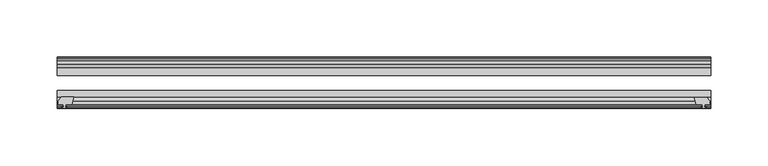
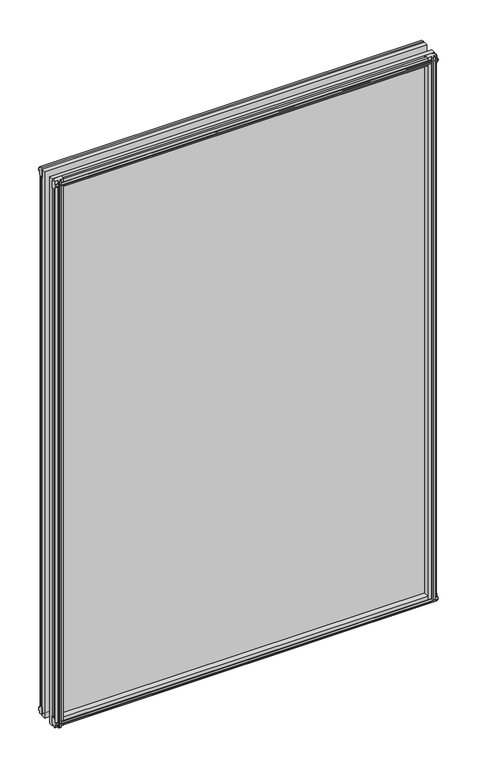
"""IFC4 building model written with IfcOpenShell, lengths in millimetres: plate geometry."""

from ifc_helpers import new_model, si_unit, frame, origin, place, context, project, spatial, polyline, outline, extrude, source, transform, mapped, element, save


def plate_1ef7eb2e(model_context):
    return source(origin(), model_context, "Body", "SweptSolid", [
        extrude(outline(polyline([(-271.3322818, -83.1453125), (-273.0499999, -89.4953125), (-278.2569999, -89.4953125), (-278.6379999, -91.8755095), (-277.2224708, -91.4155762), (-277.2224708, -92.2167904), (-279.3999999, -92.9243125), (-281.5775289, -92.2167904), (-281.5775289, -91.4155762), (-280.1619999, -91.8755095), (-280.5429999, -89.4953125), (-284.9879999, -89.4953125), (-284.9879999, -86.5489125), (-282.1536577, -83.1453125), (-271.3322818, -83.1453125)])), frame((0.0, 0.0, -12.4587), z_axis=(0.0, 0.0, 1.0), x_axis=(1.0, 0.0, 0.0)), (0.0, 0.0, 1.0), 863.1176588),
        extrude(outline(polyline([(271.3538925, -83.2252021), (282.1752684, -83.2252021), (285.0096106, -86.6288021), (285.0096106, -89.5752021), (280.5646106, -89.5752021), (280.1836106, -91.9553991), (281.5991396, -91.4954658), (281.5991396, -92.29668), (279.4216106, -93.0042021), (277.2440815, -92.29668), (277.2440815, -91.4954658), (278.6596106, -91.9553991), (278.2786106, -89.5752021), (273.0716106, -89.5752021), (271.3538925, -83.2252021)])), frame((0.0, 0.0, -9.0482291), z_axis=(0.0, 0.0, 1.0), x_axis=(1.0, 0.0, 0.0)), (0.0, 0.0, 1.0), 859.7071879),
        extrude(outline(polyline([(-280.6826999, -49.0151155), (-282.0982289, -49.4750488), (-282.0982289, -48.6738346), (-279.9206999, -47.9663125), (-277.7431708, -48.6738346), (-277.7431708, -49.4750488), (-279.1586999, -49.0151155), (-278.7776999, -51.3953125), (-273.5706999, -51.3953125), (-271.8529818, -57.7453125), (-282.6743577, -57.7453125), (-285.5086999, -54.3417125), (-285.5086999, -51.3953125), (-281.0636999, -51.3953125), (-280.6826999, -49.0151155)])), frame((0.0, 0.0, -12.4587), z_axis=(0.0, 0.0, 1.0), x_axis=(1.0, 0.0, 0.0)), (0.0, 0.0, 1.0), 856.7676588),
        extrude(outline(polyline([(271.8529818, -57.7453125), (273.5706999, -51.3953125), (278.7776999, -51.3953125), (279.1586999, -49.0151155), (277.7431708, -49.4750488), (277.7431708, -48.6738346), (279.9206999, -47.9663125), (282.0982289, -48.6738346), (282.0982289, -49.4750488), (280.6826999, -49.0151155), (281.0636999, -51.3953125), (285.5086999, -51.3953125), (285.5086999, -54.3417125), (282.6743577, -57.7453125), (271.8529818, -57.7453125)])), frame((0.0, 0.0, -12.4587), z_axis=(0.0, 0.0, 1.0), x_axis=(1.0, 0.0, 0.0)), (0.0, 0.0, 1.0), 856.7676588),
        extrude(outline(polyline([(-48.6738346, -4.6931709), (-47.9663125, -6.8707), (-48.6738346, -9.0482291), (-49.4750488, -9.0482291), (-49.0151155, -7.6327), (-51.3953125, -8.0137), (-51.3953125, -12.4587), (-54.3417125, -12.4587), (-57.7453125, -9.6243578), (-57.7453125, 1.1970181), (-51.3953125, -0.5207), (-51.3953125, -5.7277), (-49.0151155, -6.1087), (-49.4750488, -4.6931709), (-48.6738346, -4.6931709)])), frame((-285.7499999, 0.0, 0.0), z_axis=(1.0, 0.0, 0.0), x_axis=(0.0, 1.0, 0.0)), (0.0, 0.0, 1.0), 571.4999997),
        extrude(outline(polyline([(-83.1453125, 1.7177181), (-83.1453125, -9.1036578), (-86.5489125, -11.938), (-89.4953125, -11.938), (-89.4953125, -7.493), (-91.8755095, -7.112), (-91.4155762, -8.5275291), (-92.2167904, -8.5275291), (-92.9243125, -6.35), (-92.2167904, -4.1724709), (-91.4155762, -4.1724709), (-91.8755095, -5.588), (-89.4953125, -5.207), (-89.4953125, 0.0), (-83.1453125, 1.7177181)])), frame((-285.7499999, 0.0, 0.0), z_axis=(1.0, 0.0, 0.0), x_axis=(0.0, 1.0, 0.0)), (0.0, 0.0, 1.0), 571.4999997),
        extrude(outline(polyline([(-49.0151155, 845.8329588), (-49.4750488, 847.2484879), (-48.6738346, 847.2484879), (-47.9663125, 845.0709588), (-48.6738346, 842.8934298), (-49.4750488, 842.8934298), (-49.0151155, 844.3089588), (-51.3953125, 843.9279588), (-51.3953125, 838.7209588), (-57.7453125, 837.0032408), (-57.7453125, 847.8246167), (-54.3417125, 850.6589588), (-51.3953125, 850.6589588), (-51.3953125, 846.2139588), (-49.0151155, 845.8329588)])), frame((-285.7499999, 0.0, 0.0), z_axis=(1.0, 0.0, 0.0), x_axis=(0.0, 1.0, 0.0)), (0.0, 0.0, 1.0), 571.4999997),
        extrude(outline(polyline([(-89.4953125, 850.1382588), (-86.5489125, 850.1382588), (-83.1453125, 847.3039167), (-83.1453125, 836.4825408), (-89.4953125, 838.2002588), (-89.4953125, 843.4072588), (-91.8755095, 843.7882588), (-91.4155762, 842.3727298), (-92.2167904, 842.3727298), (-92.9243125, 844.5502588), (-92.2167904, 846.7277879), (-91.4155762, 846.7277879), (-91.8755095, 845.3122588), (-89.4953125, 845.6932588), (-89.4953125, 850.1382588)])), frame((-285.7499999, 0.0, 0.0), z_axis=(1.0, 0.0, 0.0), x_axis=(0.0, 1.0, 0.0)), (0.0, 0.0, 1.0), 571.4999997),
        extrude(outline(polyline([(-285.7499999, -57.7453125), (285.7499999, -57.7453125), (285.7499999, -64.0953125), (-285.7499999, -64.0953125), (-285.7499999, -57.7453125)])), frame((0.0, 0.0, -12.7), z_axis=(0.0, 0.0, 1.0), x_axis=(1.0, 0.0, 0.0)), (0.0, 0.0, 1.0), 863.6002588),
        extrude(outline(polyline([(-285.7499999, -77.1178925), (285.7499999, -77.1178925), (285.7499999, -83.1453125), (-285.7499999, -83.1453125), (-285.7499999, -77.1178925)])), frame((0.0, 0.0, -12.7), z_axis=(0.0, 0.0, 1.0), x_axis=(1.0, 0.0, 0.0)), (0.0, 0.0, 1.0), 863.6002588),
    ])


if __name__ == "__main__":
    model = new_model("IFC4")
    model_context = context("Model", 3, world=origin())
    ifc_project = project(units=[si_unit("LENGTHUNIT", "METRE", prefix="MILLI")], contexts=[model_context])
    site = spatial("IfcSite", under=ifc_project)
    building = spatial("IfcBuilding", under=site)
    placement = place(None, origin())
    plate_shape = plate_1ef7eb2e(model_context)
    element("IfcPlate", 1, at=placement, inside=building, context=model_context, shape_type="MappedRepresentation", body=[
        mapped(plate_shape, transform((0.0, 0.0, 0.0), x_axis=(1.0, 0.0, 0.0), y_axis=(0.0, 1.0, 0.0), z_axis=(0.0, 0.0, 1.0))),
    ])
    save(model, "model.ifc")
